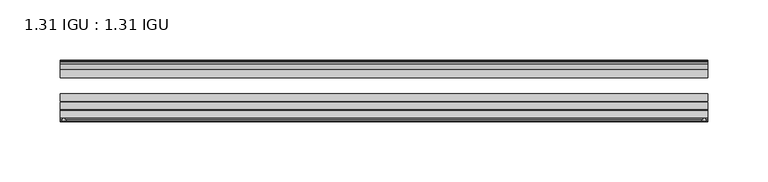
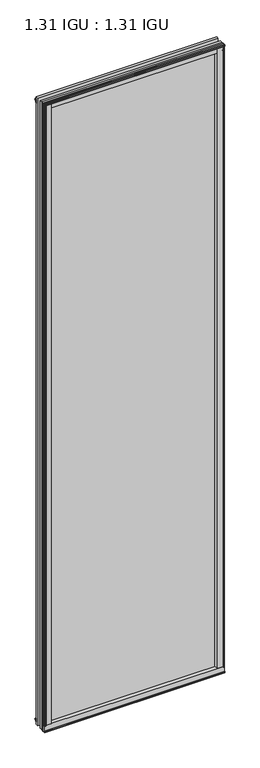
"""IFC4 building model written with IfcOpenShell, lengths in millimetres: plate geometry, 1.31 IGU : 1.31 IGU."""

import ifcopenshell
import ifcopenshell.guid

model = None  # the IFC model being written
_history = None  # IfcOwnerHistory: only IFC2X3 demands one
_inside = {}  # id of a spatial element -> (the spatial element, [elements in it])
_under = {}  # id of a project, library or spatial element -> (it, [spatial elements below it])
_declared = {}  # id of a project -> (the project, [libraries it declares])
_typed = {}  # id of a type object -> (the type object, [elements of that type])
_made_of = {}  # id of a material, layer set ... -> (it, [elements and type objects made of it])


def new_model(schema):
    """Start an empty IFC model of exactly this schema.

    Asked for "IFC4X3", IfcOpenShell would pick the latest addendum, in which some entities
    have other attributes; the version numbers below select the first issue.
    IFC2X3 requires an IfcOwnerHistory on every rooted entity: one is made here for all.
    """
    global model, _history
    if schema == "IFC4X3":
        model = ifcopenshell.file(schema_version=(4, 3, 0, 0))
    else:
        model = ifcopenshell.file(schema=schema)
    _inside.clear()
    _under.clear()
    _declared.clear()
    _typed.clear()
    _made_of.clear()
    _history = None
    if model.schema == "IFC2X3":
        org = make("IfcOrganization", Name="unknown")
        user = make(
            "IfcPersonAndOrganization",
            ThePerson=make("IfcPerson", FamilyName="unknown"),
            TheOrganization=org,
        )
        app = make(
            "IfcApplication",
            ApplicationDeveloper=org,
            Version="unknown",
            ApplicationFullName="unknown",
            ApplicationIdentifier="unknown",
        )
        _history = make(
            "IfcOwnerHistory",
            OwningUser=user,
            OwningApplication=app,
            ChangeAction="ADDED",
            CreationDate=0,
        )
    return model


def make(cls, **values):
    """One entity of the class cls with the attributes given. An attribute that is None is left unset."""
    return model.create_entity(
        cls, **{name: value for name, value in values.items() if value is not None}
    )


def rooted(cls, **values):
    """An entity with a GlobalId (a new one), such as an element, a storey or a relation."""
    return make(cls, GlobalId=ifcopenshell.guid.new(), OwnerHistory=_history, **values)


def si_unit(unit_type, name, prefix=None):
    """IfcSIUnit, for example si_unit("LENGTHUNIT", "METRE", prefix="MILLI")."""
    return make("IfcSIUnit", UnitType=unit_type, Prefix=prefix, Name=name)


def assignment(units):
    """IfcUnitAssignment: the units of a project."""
    return None if units is None else make("IfcUnitAssignment", Units=units)


def point(xyz):
    """IfcCartesianPoint."""
    return None if xyz is None else make("IfcCartesianPoint", Coordinates=xyz)


def direction(xyz):
    """IfcDirection."""
    return None if xyz is None else make("IfcDirection", DirectionRatios=xyz)


def frame(location, z_axis=None, x_axis=None):
    """IfcAxis2Placement3D, a coordinate frame: its origin and axes. An axis left out is left unset."""
    return make(
        "IfcAxis2Placement3D",
        Location=point(location),
        Axis=direction(z_axis),
        RefDirection=direction(x_axis),
    )


def frame_2d(location, x_axis=None):
    """IfcAxis2Placement2D, a coordinate frame in the plane: its origin and x axis."""
    return make(
        "IfcAxis2Placement2D", Location=point(location), RefDirection=direction(x_axis)
    )


def origin():
    """The frame at (0, 0, 0) with its axes left unset."""
    return frame((0.0, 0.0, 0.0))


def origin_with_axes():
    """The frame at (0, 0, 0) with the z axis (0, 0, 1) and the x axis (1, 0, 0) written out."""
    return frame((0.0, 0.0, 0.0), z_axis=(0.0, 0.0, 1.0), x_axis=(1.0, 0.0, 0.0))


def place(relative_to, where):
    """IfcLocalPlacement: puts the frame where relative to a parent placement (None: the world)."""
    return make(
        "IfcLocalPlacement", PlacementRelTo=relative_to, RelativePlacement=where
    )


def context(
    kind, dimensions, precision=None, world=None, true_north=None, identifier=None
):
    """IfcGeometricRepresentationContext, for example the 3D "Model" context."""
    return make(
        "IfcGeometricRepresentationContext",
        ContextIdentifier=identifier,
        ContextType=kind,
        CoordinateSpaceDimension=dimensions,
        Precision=precision,
        WorldCoordinateSystem=world,
        TrueNorth=true_north,
    )


def project(units=None, contexts=None):
    """IfcProject with its units and contexts."""
    return rooted(
        "IfcProject",
        Name="project",
        RepresentationContexts=contexts,
        UnitsInContext=assignment(units),
    )


def spatial(cls, under=None, at=None, **own):
    """A site, building, storey or space (cls), placed at a placement, below another one or the project."""
    s = rooted(cls, ObjectPlacement=at, **own)
    if under is not None:
        _under.setdefault(under.id(), (under, []))[1].append(s)
    return s


def polyline(points):
    """IfcPolyline through the points."""
    return make("IfcPolyline", Points=[point(p) for p in points])


def circle_curve(where, radius):
    """IfcCircle in the frame where."""
    return make("IfcCircle", Position=where, Radius=radius)


def trimmed(basis, trim1, trim2, sense, master):
    """IfcTrimmedCurve: the piece of a basis curve between two trims."""
    return make(
        "IfcTrimmedCurve",
        BasisCurve=basis,
        Trim1=trim1,
        Trim2=trim2,
        SenseAgreement=sense,
        MasterRepresentation=master,
    )


def segment(curve, same_sense, transition):
    """IfcCompositeCurveSegment."""
    return make(
        "IfcCompositeCurveSegment",
        Transition=transition,
        SameSense=same_sense,
        ParentCurve=curve,
    )


def composite_curve(segments, self_intersect=None):
    """IfcCompositeCurve: segments joined end to end."""
    return make("IfcCompositeCurve", Segments=segments, SelfIntersect=self_intersect)


def outline(outer, holes=None, kind="AREA"):
    """IfcArbitraryClosedProfileDef: a profile drawn as a closed curve; with holes, ...WithVoids."""
    if holes is None:
        return make("IfcArbitraryClosedProfileDef", ProfileType=kind, OuterCurve=outer)
    return make(
        "IfcArbitraryProfileDefWithVoids",
        ProfileType=kind,
        OuterCurve=outer,
        InnerCurves=holes,
    )


def extrude(swept, where, along, depth):
    """IfcExtrudedAreaSolid: the profile swept, set in the frame where, extruded along a direction by depth."""
    return make(
        "IfcExtrudedAreaSolid",
        SweptArea=swept,
        Position=where,
        ExtrudedDirection=direction(along),
        Depth=depth,
    )


def shape(context_of_items, identifier, shape_type, items):
    """IfcShapeRepresentation: the items that make up one representation, for example the "Body"."""
    return make(
        "IfcShapeRepresentation",
        ContextOfItems=context_of_items,
        RepresentationIdentifier=identifier,
        RepresentationType=shape_type,
        Items=items,
    )


def source(mapping_origin, context_of_items, identifier, shape_type, items):
    """IfcRepresentationMap: a shape defined once, which mapped items show again and again."""
    return make(
        "IfcRepresentationMap",
        MappingOrigin=mapping_origin,
        MappedRepresentation=shape(context_of_items, identifier, shape_type, items),
    )


def transform(
    local_origin,
    x_axis=None,
    y_axis=None,
    z_axis=None,
    scale=None,
    scale2=None,
    scale3=None,
    uniform=True,
):
    """IfcCartesianTransformationOperator3D, or its non-uniform kind. x_axis, y_axis, z_axis: its Axis1, 2, 3."""
    if uniform:
        return make(
            "IfcCartesianTransformationOperator3D",
            Axis1=direction(x_axis),
            Axis2=direction(y_axis),
            LocalOrigin=point(local_origin),
            Scale=scale,
            Axis3=direction(z_axis),
        )
    return make(
        "IfcCartesianTransformationOperator3DnonUniform",
        Axis1=direction(x_axis),
        Axis2=direction(y_axis),
        LocalOrigin=point(local_origin),
        Scale=scale,
        Axis3=direction(z_axis),
        Scale2=scale2,
        Scale3=scale3,
    )


def mapped(mapping_source, mapping_target):
    """IfcMappedItem: shows the shape of a source again, moved by a transform."""
    return make(
        "IfcMappedItem", MappingSource=mapping_source, MappingTarget=mapping_target
    )


def made_of(thing, what):
    """Note that an element or type object is made of a material, layer set ...; save() writes the relation."""
    if what is not None:
        _made_of.setdefault(what.id(), (what, []))[1].append(thing)
    return thing


def element(
    cls,
    number,
    at=None,
    inside=None,
    cuts=None,
    type_object=None,
    material=None,
    context=None,
    identifier="Body",
    shape_type=None,
    held_by="IfcProductDefinitionShape",
    body=None,
    shapes=None,
    **own,
):
    """One element of the class cls, such as IfcWall. Its Tag is "e" and its number.

    at: its placement. inside: the storey or other place that contains it. cuts: it is an
    opening in that element (IfcRelVoidsElement). A single representation is given by context,
    identifier, shape_type and body (its items); several are given by shapes. held_by: the class
    of the entity that holds the representations. save() writes the other relations.
    """
    e = rooted(cls, Tag="e%d" % number, ObjectPlacement=at, **own)
    if body is not None:
        shapes = [shape(context, identifier, shape_type, body)]
    if shapes is not None:
        e.Representation = make(held_by, Representations=shapes)
    if inside is not None:
        _inside.setdefault(inside.id(), (inside, []))[1].append(e)
    if cuts is not None:
        rooted(
            "IfcRelVoidsElement", RelatingBuildingElement=cuts, RelatedOpeningElement=e
        )
    if type_object is not None:
        _typed.setdefault(type_object.id(), (type_object, []))[1].append(e)
    return made_of(e, material)


def aggregate(whole, parts):
    """IfcRelAggregates: a whole, such as a stair, and the parts it consists of."""
    return rooted("IfcRelAggregates", RelatingObject=whole, RelatedObjects=parts)


def save(model, path):
    """Write the relations noted so far, then the file.

    IfcRelAggregates (storeys below a building ...), IfcRelContainedInSpatialStructure (elements
    in a storey), IfcRelDefinesByType, IfcRelAssociatesMaterial and IfcRelDeclares: one each for
    every whole, place, type object, material and project.
    """
    for whole, parts in _under.values():
        aggregate(whole, parts)
    for where, things in _inside.values():
        rooted(
            "IfcRelContainedInSpatialStructure",
            RelatedElements=things,
            RelatingStructure=where,
        )
    for kind, things in _typed.values():
        rooted("IfcRelDefinesByType", RelatedObjects=things, RelatingType=kind)
    for what, things in _made_of.values():
        rooted("IfcRelAssociatesMaterial", RelatedObjects=things, RelatingMaterial=what)
    for by, libraries in _declared.values():
        rooted("IfcRelDeclares", RelatingContext=by, RelatedDefinitions=libraries)
    model.write(path)


def plate_1_31_igu_1_31_igu_fdc1ff70(model_context):
    return source(origin(), model_context, "Body", "SweptSolid", [
        extrude(outline(composite_curve([segment(polyline([(265.1404656, -57.6333938), (248.9557187, -57.6333938)]), True, "CONTINUOUS"), segment(trimmed(circle_curve(frame_2d((241.6609896, -57.6547678)), 7.2947605), [point((248.9557187, -57.6333938))], [point((245.2133301, -51.2833938))], True, "CARTESIAN"), True, "CONTINUOUS"), segment(polyline([(245.2133301, -51.2833938), (268.083751, -51.2833938)]), True, "CONTINUOUS"), segment(trimmed(circle_curve(frame_2d((268.083751, -52.0707938)), 0.7874), [point((268.083751, -51.2833938))], [point((268.8652819, -51.9748338))], False, "CARTESIAN"), True, "CONTINUOUS"), segment(polyline([(268.8652819, -51.9748338), (269.5600656, -57.6333938), (267.6296656, -57.6333938), (267.1724656, -59.624458), (268.1738275, -59.3561439), (268.4170656, -60.263921), (266.3850656, -60.8083938), (264.3530656, -60.263921), (264.5963038, -59.3561439), (265.5976656, -59.624458), (265.1404656, -57.6333938)]), True, "CONTINUOUS")], self_intersect=False)), origin_with_axes(), (0.0, 0.0, 1.0), 1962.15),
        extrude(outline(composite_curve([segment(polyline([(-249.253375, -57.6333937), (-265.4381219, -57.6333937), (-265.8953219, -59.624458), (-264.89396, -59.3561439), (-264.6507219, -60.263921), (-266.6827219, -60.8083937), (-268.7147219, -60.263921), (-268.4714838, -59.3561439), (-267.4701219, -59.624458), (-267.9273219, -57.6333937), (-269.8577219, -57.6333937), (-269.1629381, -51.9748338)]), True, "CONTINUOUS"), segment(trimmed(circle_curve(frame_2d((-268.3814073, -52.0707937)), 0.7874), [point((-269.1629381, -51.9748338))], [point((-268.3814073, -51.2833937))], False, "CARTESIAN"), True, "CONTINUOUS"), segment(polyline([(-268.3814073, -51.2833937), (-245.5109864, -51.2833937)]), True, "CONTINUOUS"), segment(trimmed(circle_curve(frame_2d((-241.9586458, -57.6547678)), 7.2947605), [point((-245.5109864, -51.2833937))], [point((-249.253375, -57.6333937))], True, "CARTESIAN"), True, "CONTINUOUS")], self_intersect=False)), origin_with_axes(), (0.0, 0.0, 1.0), 1962.15),
        extrude(outline(polyline([(-9.7543937, -6.8579998), (-10.4009552, -9.2709998), (-11.2596632, -9.0409097), (-10.8839895, -7.6388763), (-13.1833937, -8.3819998), (-13.1833937, -11.7850089), (-17.9585937, -10.1533914), (-17.9585937, 0.6595133), (-13.1833937, -0.5079998), (-13.1833937, -5.4609998), (-10.8839895, -6.0771233), (-11.2596632, -4.6750899), (-10.4009552, -4.4449998), (-9.7543937, -6.8579998)])), frame((-269.890875, 0.0, 0.0), z_axis=(1.0, 0.0, 0.0), x_axis=(0.0, 1.0, 0.0)), (0.0, 0.0, 1.0), 539.4840937),
        extrude(outline(composite_curve([segment(polyline([(-51.9748338, -19.930016), (-57.6333937, -20.6247998), (-57.6333937, -18.6943998), (-59.624458, -18.2371998), (-59.3561439, -19.2385617), (-60.263921, -19.4817998), (-60.8083937, -17.4497998), (-60.263921, -15.4177998), (-59.3561439, -15.6610379), (-59.624458, -16.6623998), (-57.6333937, -16.2051998), (-57.6333937, 0.0127002)]), True, "CONTINUOUS"), segment(trimmed(circle_curve(frame_2d((-58.1588233, 7.9620141)), 7.9666598), [point((-57.6333937, 0.0127002))], [point((-51.2833937, 3.9375717))], True, "CARTESIAN"), True, "CONTINUOUS"), segment(polyline([(-51.2833937, 3.9375717), (-51.2833937, -19.1484852)]), True, "CONTINUOUS"), segment(trimmed(circle_curve(frame_2d((-52.0707937, -19.1484852)), 0.7874), [point((-51.2833937, -19.1484852))], [point((-51.9748338, -19.930016))], False, "CARTESIAN"), True, "CONTINUOUS")], self_intersect=False)), frame((-269.890875, 0.0, 0.0), z_axis=(1.0, 0.0, 0.0), x_axis=(0.0, 1.0, 0.0)), (0.0, 0.0, 1.0), 539.4840937),
        extrude(outline(polyline([(-17.9585937, 1953.2533914), (-13.1833937, 1954.8850089), (-13.1833937, 1951.4819998), (-10.8839895, 1950.7388763), (-11.2596632, 1952.1409097), (-10.4009552, 1952.3709998), (-9.7543937, 1949.9579998), (-10.4009552, 1947.5449998), (-11.2596632, 1947.7750899), (-10.8839895, 1949.1771233), (-13.1833937, 1948.5609998), (-13.1833937, 1943.6079998), (-17.9585937, 1942.4404867), (-17.9585937, 1953.2533914)])), frame((-269.890875, 0.0, 0.0), z_axis=(1.0, 0.0, 0.0), x_axis=(0.0, 1.0, 0.0)), (0.0, 0.0, 1.0), 539.4840937),
        extrude(outline(composite_curve([segment(trimmed(circle_curve(frame_2d((-52.0707937, 1962.2484852)), 0.7874), [point((-51.9748338, 1963.030016))], [point((-51.2833937, 1962.2484852))], False, "CARTESIAN"), True, "CONTINUOUS"), segment(polyline([(-51.2833937, 1962.2484852), (-51.2833937, 1939.1624283)]), True, "CONTINUOUS"), segment(trimmed(circle_curve(frame_2d((-58.1588233, 1935.1379859)), 7.9666598), [point((-51.2833937, 1939.1624283))], [point((-57.6333937, 1943.0872998))], True, "CARTESIAN"), True, "CONTINUOUS"), segment(polyline([(-57.6333937, 1943.0872998), (-57.6333937, 1959.3051998), (-59.624458, 1959.7623998), (-59.3561439, 1958.7610379), (-60.263921, 1958.5177998), (-60.8083937, 1960.5497998), (-60.263921, 1962.5817998), (-59.3561439, 1962.3385617), (-59.624458, 1961.3371998), (-57.6333937, 1961.7943998), (-57.6333937, 1963.7247998), (-51.9748338, 1963.030016)]), True, "CONTINUOUS")], self_intersect=False)), frame((-269.890875, 0.0, 0.0), z_axis=(1.0, 0.0, 0.0), x_axis=(0.0, 1.0, 0.0)), (0.0, 0.0, 1.0), 539.4840937),
        extrude(outline(polyline([(-258.4797513, -10.8839895), (-259.8817847, -11.2596632), (-260.1118748, -10.4009552), (-257.6988748, -9.7543937), (-255.2858748, -10.4009552), (-255.5159649, -11.2596632), (-256.9179983, -10.8839895), (-256.3018748, -13.1833937), (-251.3488748, -13.1833937), (-250.1813617, -17.9585937), (-260.9942664, -17.9585937), (-262.6258839, -13.1833937), (-259.2228748, -13.1833937), (-258.4797513, -10.8839895)])), origin_with_axes(), (0.0, 0.0, 1.0), 1943.1),
        extrude(outline(polyline([(258.4924515, -10.8839895), (259.235575, -13.1833937), (262.6385841, -13.1833937), (261.0069666, -17.9585937), (250.1940619, -17.9585937), (251.361575, -13.1833937), (256.314575, -13.1833937), (256.9306985, -10.8839895), (255.5286651, -11.2596632), (255.298575, -10.4009552), (257.711575, -9.7543937), (260.124575, -10.4009552), (259.8944849, -11.2596632), (258.4924515, -10.8839895)])), origin_with_axes(), (0.0, 0.0, 1.0), 1943.1),
        extrude(outline(polyline([(269.5932187, -17.9585937), (269.5932187, -24.3085937), (-269.890875, -24.3085937), (-269.890875, -17.9585937), (269.5932187, -17.9585937)])), frame((0.0, 0.0, -19.0372998), z_axis=(0.0, 0.0, 1.0), x_axis=(1.0, 0.0, 0.0)), (0.0, 0.0, 1.0), 1981.1872998),
        extrude(outline(polyline([(-269.890875, -44.1459937), (-269.890875, -37.7959937), (269.5932187, -37.7959937), (269.5932187, -44.1459937), (-269.890875, -44.1459937)])), frame((0.0, 0.0, -19.0372998), z_axis=(0.0, 0.0, 1.0), x_axis=(1.0, 0.0, 0.0)), (0.0, 0.0, 1.0), 1981.1872998),
        extrude(outline(polyline([(-269.890875, -51.2833937), (-269.890875, -44.9333937), (269.5932187, -44.9333937), (269.5932187, -51.2833937), (-269.890875, -51.2833937)])), frame((0.0, 0.0, -19.0372998), z_axis=(0.0, 0.0, 1.0), x_axis=(1.0, 0.0, 0.0)), (0.0, 0.0, 1.0), 1981.1872998),
    ])


if __name__ == "__main__":
    model = new_model("IFC4")
    model_context = context("Model", 3, world=origin())
    ifc_project = project(units=[si_unit("LENGTHUNIT", "METRE", prefix="MILLI")], contexts=[model_context])
    site = spatial("IfcSite", under=ifc_project)
    building = spatial("IfcBuilding", under=site)
    placement = place(None, origin())
    plate_1_31_igu_1_31_igu_shape = plate_1_31_igu_1_31_igu_fdc1ff70(model_context)
    element("IfcPlate", 1, ObjectType="1.31 IGU : 1.31 IGU", at=placement, inside=building, context=model_context, shape_type="MappedRepresentation", body=[
        mapped(plate_1_31_igu_1_31_igu_shape, transform((0.0, 0.0, 0.0), x_axis=(1.0, 0.0, 0.0), y_axis=(0.0, 1.0, 0.0), z_axis=(0.0, 0.0, 1.0))),
    ])
    save(model, "model.ifc")
